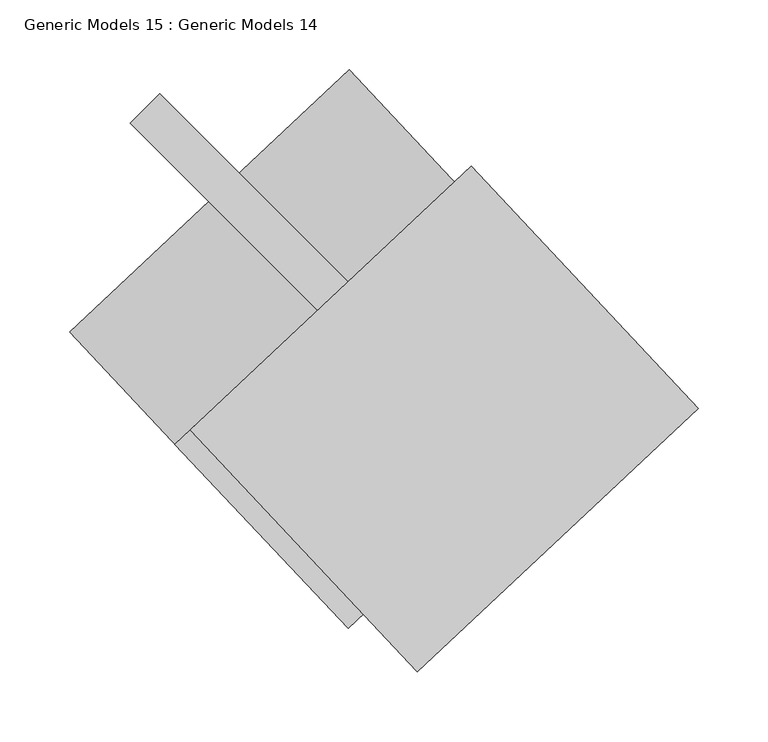
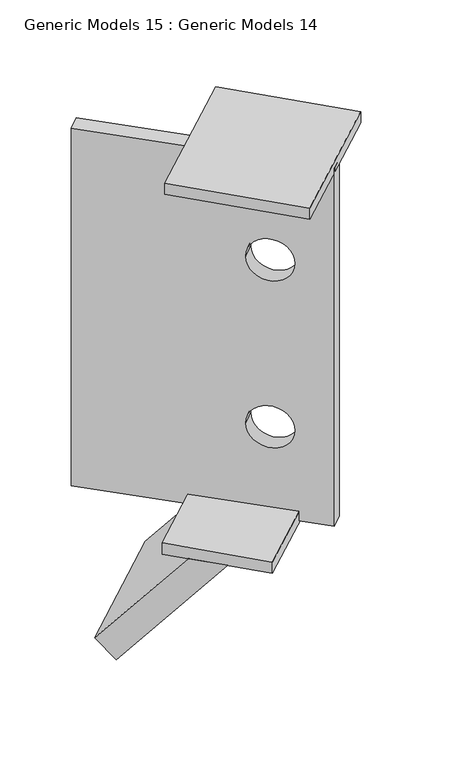
"""IFC4 building model written with IfcOpenShell, lengths in millimetres: proxy geometry, Generic Models 15 : Generic Models 14."""

from ifc_helpers import new_model, si_unit, point, frame, frame_2d, origin, place, context, project, spatial, polyline, circle_curve, trimmed, segment, composite_curve, outline, extrude, source, transform, mapped, element, save


def generic_models_15_generic_models_14_dd72b8d2(model_context):
    return source(origin(), model_context, "Body", "SweptSolid", [
        extrude(outline(polyline([(0.0, -427.9734597), (0.0, 0.0), (685.8963699, 0.0), (685.8963699, -427.9734597), (0.0, -427.9734597)]), holes=[composite_curve([segment(trimmed(circle_curve(frame_2d((193.913668, -324.0312069)), 40.0), [point((193.913668, -284.0312069))], [point((193.913668, -364.0312069))], True, "CARTESIAN"), True, "CONTINUOUS"), segment(trimmed(circle_curve(frame_2d((193.913668, -324.0312069)), 40.0), [point((193.913668, -364.0312069))], [point((193.913668, -284.0312069))], True, "CARTESIAN"), True, "CONTINUOUS")], self_intersect=False), composite_curve([segment(trimmed(circle_curve(frame_2d((513.913668, -324.0312069)), 40.0), [point((513.913668, -284.0312069))], [point((513.913668, -364.0312069))], True, "CARTESIAN"), True, "CONTINUOUS"), segment(trimmed(circle_curve(frame_2d((513.913668, -324.0312069)), 40.0), [point((513.913668, -364.0312069))], [point((513.913668, -284.0312069))], True, "CARTESIAN"), True, "CONTINUOUS")], self_intersect=False)]), frame((-185901.5376236, -8618.4912444, 26674.4748106), z_axis=(0.7071067811865881, 0.707106781186507, 0.0), x_axis=(0.0, 0.0, -1.0)), (0.0, 0.0, 1.0), 30.0),
        extrude(outline(polyline([(50.1909918, 0.0), (25.4061269, -283.2923025), (-20.7469904, -237.1391853), (0.0, 0.0), (50.1909918, 0.0)])), frame((-185944.8914189, -8768.2078931, 25803.6828818), z_axis=(0.7291293057720682, 0.6843759606125436, 0.0), x_axis=(0.4839268826303341, -0.5155722764734257, -0.7071067811863327)), (0.0, 0.0, 1.0), 274.9930063),
        extrude(outline(polyline([(-185869.4425455, -8848.590589), (-185668.9370857, -8660.3919861), (-185544.8895423, -8792.5513611), (-185745.3950021, -8980.749964), (-185869.4425455, -8848.590589)])), frame((0.0, 0.0, 25986.0359454), z_axis=(0.0, 0.0, 1.0), x_axis=(1.0, 0.0, 0.0)), (0.0, 0.0, 1.0), 21.319048),
        extrude(outline(polyline([(-185858.5107052, -8838.3297359), (-185657.1845407, -8649.3608025), (-185494.2881168, -8822.9094999), (-185695.6142813, -9011.8784333), (-185858.5107052, -8838.3297359)])), frame((0.0, 0.0, 26666.0359454), z_axis=(0.0, 0.0, 1.0), x_axis=(1.0, 0.0, 0.0)), (0.0, 0.0, 1.0), 21.319048),
    ])


if __name__ == "__main__":
    model = new_model("IFC4")
    model_context = context("Model", 3, world=origin())
    ifc_project = project(units=[si_unit("LENGTHUNIT", "METRE", prefix="MILLI")], contexts=[model_context])
    site = spatial("IfcSite", under=ifc_project)
    building = spatial("IfcBuilding", under=site)
    placement = place(None, origin())
    generic_models_15_generic_models_14_shape = generic_models_15_generic_models_14_dd72b8d2(model_context)
    element("IfcBuildingElementProxy", 1, Name="Generic Models 15 : Generic Models 14", ObjectType="Generic Models 15 : Generic Models 14", at=placement, inside=building, context=model_context, shape_type="MappedRepresentation", body=[
        mapped(generic_models_15_generic_models_14_shape, transform((0.0, 0.0, 0.0), x_axis=(1.0, 0.0, 0.0), y_axis=(0.0, 1.0, 0.0), z_axis=(0.0, 0.0, 1.0))),
    ])
    save(model, "model.ifc")
